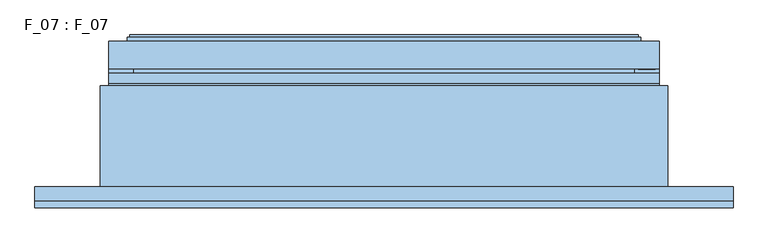
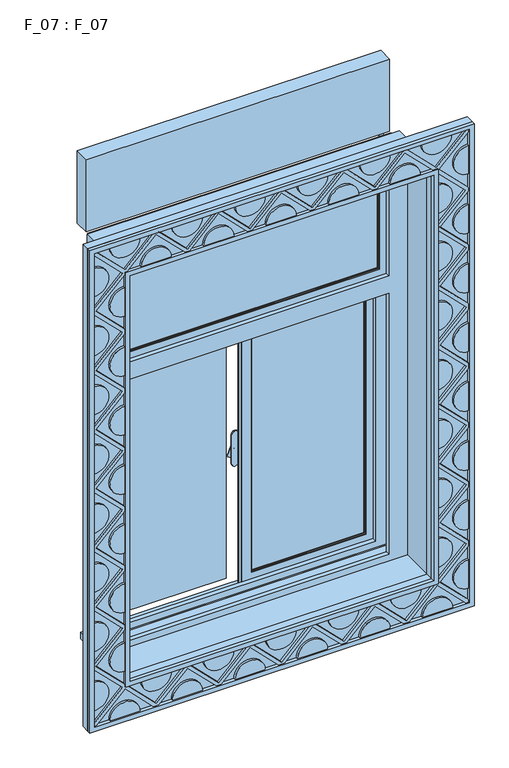
"""IFC4 building model written with IfcOpenShell, lengths in millimetres: window geometry, F_07 : F_07."""

from ifc_helpers import new_model, si_unit, point, frame, frame_2d, origin, place, context, project, spatial, polyline, circle_curve, ellipse_curve, trimmed, segment, composite_curve, outline, extrude, faceted_brep, source, transform, mapped, element, save
from ifc_brep_helpers import plane_surface, revolved_surface, advanced_brep


def f_07_f_07_ea8ef7c9(model_context):
    return source(origin(), model_context, "Body", "SolidModel", [
        extrude(outline(polyline([(2710.0, -675.0), (820.0, -675.0), (820.0, 675.0), (2710.0, 675.0), (2710.0, -675.0)]), holes=[polyline([(2690.0, -655.0), (2690.0, 655.0), (840.0, 655.0), (840.0, -655.0), (2690.0, -655.0)])]), frame((0.0, -270.0, 0.0), z_axis=(0.0, 1.0, 0.0), x_axis=(0.0, 0.0, 1.0)), (0.0, 0.0, 1.0), 15.0),
        extrude(outline(polyline([(665.0, -830.0), (665.0, 830.0), (2865.0, 830.0), (2865.0, -830.0), (665.0, -830.0)]), holes=[polyline([(2845.0, -810.0), (2845.0, 810.0), (685.0, 810.0), (685.0, -810.0), (2845.0, -810.0)])]), frame((0.0, -270.0, 0.0), z_axis=(0.0, 1.0, 0.0), x_axis=(0.0, 0.0, 1.0)), (0.0, 0.0, 1.0), 15.0),
        extrude(outline(polyline([(820.0, 685.6066017), (944.3933983, 810.0), (965.6066017, 810.0), (1090.0, 685.6066017), (1214.3933983, 810.0), (1235.6066017, 810.0), (1360.0, 685.6066017), (1484.3933983, 810.0), (1505.6066017, 810.0), (1630.0, 685.6066017), (1754.3933983, 810.0), (1775.6066017, 810.0), (1900.0, 685.6066017), (2024.3933983, 810.0), (2045.6066017, 810.0), (2170.0, 685.6066017), (2294.3933983, 810.0), (2315.6066017, 810.0), (2440.0, 685.6066017), (2564.3933983, 810.0), (2575.0, 810.0), (2704.6966991, 680.3033009), (2834.3933983, 810.0), (2845.0, 810.0), (2845.0, 799.3933983), (2715.3033009, 669.6966991), (2845.0, 540.0), (2845.0, 529.3933983), (2720.6066017, 405.0), (2845.0, 280.6066017), (2845.0, 259.3933983), (2720.6066017, 135.0), (2845.0, 10.6066017), (2845.0, -10.6066017), (2720.6066017, -135.0), (2845.0, -259.3933983), (2845.0, -280.6066017), (2720.6066017, -405.0), (2845.0, -529.3933983), (2845.0, -550.6066017), (2720.6066017, -675.0), (2845.0, -799.3933983), (2845.0, -810.0), (2834.3933983, -810.0), (2710.0, -685.6066017), (2585.6066017, -810.0), (2564.3933983, -810.0), (2440.0, -685.6066017), (2315.6066017, -810.0), (2294.3933983, -810.0), (2170.0, -685.6066017), (2045.6066017, -810.0), (2024.3933983, -810.0), (1900.0, -685.6066017), (1775.6066017, -810.0), (1754.3933983, -810.0), (1630.0, -685.6066017), (1505.6066017, -810.0), (1484.3933983, -810.0), (1360.0, -685.6066017), (1235.6066017, -810.0), (1214.3933983, -810.0), (1090.0, -685.6066017), (965.6066017, -810.0), (944.3933983, -810.0), (820.0, -685.6066017), (695.6066017, -810.0), (685.0, -810.0), (685.0, -799.3933983), (809.3933983, -675.0), (685.0, -550.6066017), (685.0, -529.3933983), (809.3933983, -405.0), (685.0, -280.6066017), (685.0, -259.3933983), (809.3933983, -135.0), (685.0, -10.6066017), (685.0, 10.6066017), (809.3933983, 135.0), (685.0, 259.3933983), (685.0, 280.6066017), (809.3933983, 405.0), (685.0, 529.3933983), (685.0, 550.6066017), (809.3933983, 675.0), (685.0, 799.3933983), (685.0, 810.0), (695.6066017, 810.0), (820.0, 685.6066017)]), holes=[polyline([(820.0, 664.3933983), (695.6066017, 540.0), (820.0, 415.6066017), (820.0, 394.3933983), (695.6066017, 270.0), (820.0, 145.6066017), (820.0, 124.3933983), (695.6066017, 0.0), (820.0, -124.3933983), (820.0, -145.6066017), (695.6066017, -270.0), (820.0, -394.3933983), (820.0, -415.6066017), (695.6066017, -540.0), (820.0, -664.3933983), (820.0, -675.0), (830.6066017, -675.0), (955.0, -799.3933983), (1079.3933983, -675.0), (1100.6066017, -675.0), (1225.0, -799.3933983), (1349.3933983, -675.0), (1370.6066017, -675.0), (1495.0, -799.3933983), (1619.3933983, -675.0), (1640.6066017, -675.0), (1765.0, -799.3933983), (1889.3933983, -675.0), (1910.6066017, -675.0), (2035.0, -799.3933983), (2159.3933983, -675.0), (2180.6066017, -675.0), (2305.0, -799.3933983), (2429.3933983, -675.0), (2450.6066017, -675.0), (2575.0, -799.3933983), (2699.3933983, -675.0), (2710.0, -675.0), (2710.0, -664.3933983), (2834.3933983, -540.0), (2710.0, -415.6066017), (2710.0, -394.3933983), (2834.3933983, -270.0), (2710.0, -145.6066017), (2710.0, -124.3933983), (2834.3933983, 0.0), (2710.0, 124.3933983), (2710.0, 145.6066017), (2834.3933983, 270.0), (2710.0, 394.3933983), (2710.0, 415.6066017), (2829.0900974, 534.6966991), (2710.0, 653.7867966), (2710.0, 675.0), (2688.7867966, 675.0), (2569.6966991, 794.0900974), (2450.6066017, 675.0), (2429.3933983, 675.0), (2305.0, 799.3933983), (2180.6066017, 675.0), (2159.3933983, 675.0), (2035.0, 799.3933983), (1910.6066017, 675.0), (1889.3933983, 675.0), (1765.0, 799.3933983), (1640.6066017, 675.0), (1619.3933983, 675.0), (1495.0, 799.3933983), (1370.6066017, 675.0), (1349.3933983, 675.0), (1225.0, 799.3933983), (1100.6066017, 675.0), (1079.3933983, 675.0), (955.0, 799.3933983), (830.6066017, 675.0), (820.0, 675.0), (820.0, 664.3933983)])]), frame((0.0, -265.0, 0.0), z_axis=(0.0, 1.0, 0.0), x_axis=(0.0, 0.0, 1.0)), (0.0, 0.0, 1.0), 10.0),
        extrude(outline(composite_curve([segment(polyline([(2845.0, 470.0), (2845.0, 340.0)]), True, "CONTINUOUS"), segment(trimmed(circle_curve(frame_2d((2845.0, 405.0)), 65.0), [point((2845.0, 340.0))], [point((2845.0, 470.0))], False, "CARTESIAN"), True, "CONTINUOUS")], self_intersect=False)), frame((0.0, -265.0, 0.0), z_axis=(0.0, 1.0, 0.0), x_axis=(0.0, 0.0, 1.0)), (0.0, 0.0, 1.0), 10.0),
        extrude(outline(composite_curve([segment(polyline([(2845.0, 200.0), (2845.0, 70.0)]), True, "CONTINUOUS"), segment(trimmed(circle_curve(frame_2d((2845.0, 135.0)), 65.0), [point((2845.0, 70.0))], [point((2845.0, 200.0))], False, "CARTESIAN"), True, "CONTINUOUS")], self_intersect=False)), frame((0.0, -265.0, 0.0), z_axis=(0.0, 1.0, 0.0), x_axis=(0.0, 0.0, 1.0)), (0.0, 0.0, 1.0), 10.0),
        extrude(outline(composite_curve([segment(polyline([(2845.0, -70.0), (2845.0, -200.0)]), True, "CONTINUOUS"), segment(trimmed(circle_curve(frame_2d((2845.0, -135.0)), 65.0), [point((2845.0, -200.0))], [point((2845.0, -70.0))], False, "CARTESIAN"), True, "CONTINUOUS")], self_intersect=False)), frame((0.0, -265.0, 0.0), z_axis=(0.0, 1.0, 0.0), x_axis=(0.0, 0.0, 1.0)), (0.0, 0.0, 1.0), 10.0),
        extrude(outline(composite_curve([segment(polyline([(2845.0, -340.0), (2845.0, -470.0)]), True, "CONTINUOUS"), segment(trimmed(circle_curve(frame_2d((2845.0, -405.0)), 65.0), [point((2845.0, -470.0))], [point((2845.0, -340.0))], False, "CARTESIAN"), True, "CONTINUOUS")], self_intersect=False)), frame((0.0, -265.0, 0.0), z_axis=(0.0, 1.0, 0.0), x_axis=(0.0, 0.0, 1.0)), (0.0, 0.0, 1.0), 10.0),
        extrude(outline(composite_curve([segment(polyline([(2845.0, -610.0), (2845.0, -740.0)]), True, "CONTINUOUS"), segment(trimmed(circle_curve(frame_2d((2845.0, -675.0)), 65.0), [point((2845.0, -740.0))], [point((2845.0, -610.0))], False, "CARTESIAN"), True, "CONTINUOUS")], self_intersect=False)), frame((0.0, -265.0, 0.0), z_axis=(0.0, 1.0, 0.0), x_axis=(0.0, 0.0, 1.0)), (0.0, 0.0, 1.0), 10.0),
        extrude(outline(composite_curve([segment(polyline([(2845.0, 735.0), (2845.0, 605.0)]), True, "CONTINUOUS"), segment(trimmed(circle_curve(frame_2d((2845.0, 670.0)), 65.0), [point((2845.0, 605.0))], [point((2845.0, 735.0))], False, "CARTESIAN"), True, "CONTINUOUS")], self_intersect=False)), frame((0.0, -265.0, 0.0), z_axis=(0.0, 1.0, 0.0), x_axis=(0.0, 0.0, 1.0)), (0.0, 0.0, 1.0), 10.0),
        extrude(outline(composite_curve([segment(trimmed(circle_curve(frame_2d((2710.0, 270.0)), 65.0), [point((2710.0, 335.0))], [point((2710.0, 205.0))], False, "CARTESIAN"), True, "CONTINUOUS"), segment(polyline([(2710.0, 205.0), (2710.0, 335.0)]), True, "CONTINUOUS")], self_intersect=False)), frame((0.0, -265.0, 0.0), z_axis=(0.0, 1.0, 0.0), x_axis=(0.0, 0.0, 1.0)), (0.0, 0.0, 1.0), 10.0),
        extrude(outline(composite_curve([segment(trimmed(circle_curve(frame_2d((2710.0, 534.6966991)), 65.0), [point((2710.0, 599.6966991))], [point((2710.0, 469.6966991))], False, "CARTESIAN"), True, "CONTINUOUS"), segment(polyline([(2710.0, 469.6966991), (2710.0, 599.6966991)]), True, "CONTINUOUS")], self_intersect=False)), frame((0.0, -265.0, 0.0), z_axis=(0.0, 1.0, 0.0), x_axis=(0.0, 0.0, 1.0)), (0.0, 0.0, 1.0), 10.0),
        extrude(outline(composite_curve([segment(trimmed(circle_curve(frame_2d((2710.0, 0.0)), 65.0), [point((2710.0, 65.0))], [point((2710.0, -65.0))], False, "CARTESIAN"), True, "CONTINUOUS"), segment(polyline([(2710.0, -65.0), (2710.0, 65.0)]), True, "CONTINUOUS")], self_intersect=False)), frame((0.0, -265.0, 0.0), z_axis=(0.0, 1.0, 0.0), x_axis=(0.0, 0.0, 1.0)), (0.0, 0.0, 1.0), 10.0),
        extrude(outline(composite_curve([segment(trimmed(circle_curve(frame_2d((2710.0, -270.0)), 65.0), [point((2710.0, -205.0))], [point((2710.0, -335.0))], False, "CARTESIAN"), True, "CONTINUOUS"), segment(polyline([(2710.0, -335.0), (2710.0, -205.0)]), True, "CONTINUOUS")], self_intersect=False)), frame((0.0, -265.0, 0.0), z_axis=(0.0, 1.0, 0.0), x_axis=(0.0, 0.0, 1.0)), (0.0, 0.0, 1.0), 10.0),
        extrude(outline(composite_curve([segment(trimmed(circle_curve(frame_2d((2710.0, -540.0)), 65.0), [point((2710.0, -475.0))], [point((2710.0, -605.0))], False, "CARTESIAN"), True, "CONTINUOUS"), segment(polyline([(2710.0, -605.0), (2710.0, -475.0)]), True, "CONTINUOUS")], self_intersect=False)), frame((0.0, -265.0, 0.0), z_axis=(0.0, 1.0, 0.0), x_axis=(0.0, 0.0, 1.0)), (0.0, 0.0, 1.0), 10.0),
        extrude(outline(composite_curve([segment(polyline([(820.0, 605.0), (820.0, 475.0)]), True, "CONTINUOUS"), segment(trimmed(circle_curve(frame_2d((820.0, 540.0)), 65.0), [point((820.0, 475.0))], [point((820.0, 605.0))], False, "CARTESIAN"), True, "CONTINUOUS")], self_intersect=False)), frame((0.0, -265.0, 0.0), z_axis=(0.0, 1.0, 0.0), x_axis=(0.0, 0.0, 1.0)), (0.0, 0.0, 1.0), 10.0),
        extrude(outline(composite_curve([segment(polyline([(820.0, 335.0), (820.0, 205.0)]), True, "CONTINUOUS"), segment(trimmed(circle_curve(frame_2d((820.0, 270.0)), 65.0), [point((820.0, 205.0))], [point((820.0, 335.0))], False, "CARTESIAN"), True, "CONTINUOUS")], self_intersect=False)), frame((0.0, -265.0, 0.0), z_axis=(0.0, 1.0, 0.0), x_axis=(0.0, 0.0, 1.0)), (0.0, 0.0, 1.0), 10.0),
        extrude(outline(composite_curve([segment(polyline([(820.0, 65.0), (820.0, -65.0)]), True, "CONTINUOUS"), segment(trimmed(circle_curve(frame_2d((820.0, 0.0)), 65.0), [point((820.0, -65.0))], [point((820.0, 65.0))], False, "CARTESIAN"), True, "CONTINUOUS")], self_intersect=False)), frame((0.0, -265.0, 0.0), z_axis=(0.0, 1.0, 0.0), x_axis=(0.0, 0.0, 1.0)), (0.0, 0.0, 1.0), 10.0),
        extrude(outline(composite_curve([segment(polyline([(820.0, -205.0), (820.0, -335.0)]), True, "CONTINUOUS"), segment(trimmed(circle_curve(frame_2d((820.0, -270.0)), 65.0), [point((820.0, -335.0))], [point((820.0, -205.0))], False, "CARTESIAN"), True, "CONTINUOUS")], self_intersect=False)), frame((0.0, -265.0, 0.0), z_axis=(0.0, 1.0, 0.0), x_axis=(0.0, 0.0, 1.0)), (0.0, 0.0, 1.0), 10.0),
        extrude(outline(composite_curve([segment(polyline([(820.0, -475.0), (820.0, -605.0)]), True, "CONTINUOUS"), segment(trimmed(circle_curve(frame_2d((820.0, -540.0)), 65.0), [point((820.0, -605.0))], [point((820.0, -475.0))], False, "CARTESIAN"), True, "CONTINUOUS")], self_intersect=False)), frame((0.0, -265.0, 0.0), z_axis=(0.0, 1.0, 0.0), x_axis=(0.0, 0.0, 1.0)), (0.0, 0.0, 1.0), 10.0),
        extrude(outline(composite_curve([segment(trimmed(circle_curve(frame_2d((685.0, 405.0)), 65.0), [point((685.0, 470.0))], [point((685.0, 340.0))], False, "CARTESIAN"), True, "CONTINUOUS"), segment(polyline([(685.0, 340.0), (685.0, 470.0)]), True, "CONTINUOUS")], self_intersect=False)), frame((0.0, -265.0, 0.0), z_axis=(0.0, 1.0, 0.0), x_axis=(0.0, 0.0, 1.0)), (0.0, 0.0, 1.0), 10.0),
        extrude(outline(composite_curve([segment(trimmed(circle_curve(frame_2d((685.0, 135.0)), 65.0), [point((685.0, 200.0))], [point((685.0, 70.0))], False, "CARTESIAN"), True, "CONTINUOUS"), segment(polyline([(685.0, 70.0), (685.0, 200.0)]), True, "CONTINUOUS")], self_intersect=False)), frame((0.0, -265.0, 0.0), z_axis=(0.0, 1.0, 0.0), x_axis=(0.0, 0.0, 1.0)), (0.0, 0.0, 1.0), 10.0),
        extrude(outline(composite_curve([segment(trimmed(circle_curve(frame_2d((685.0, 675.0)), 65.0), [point((685.0, 740.0))], [point((685.0, 610.0))], False, "CARTESIAN"), True, "CONTINUOUS"), segment(polyline([(685.0, 610.0), (685.0, 740.0)]), True, "CONTINUOUS")], self_intersect=False)), frame((0.0, -265.0, 0.0), z_axis=(0.0, 1.0, 0.0), x_axis=(0.0, 0.0, 1.0)), (0.0, 0.0, 1.0), 10.0),
        extrude(outline(composite_curve([segment(trimmed(circle_curve(frame_2d((685.0, -135.0)), 65.0), [point((685.0, -70.0))], [point((685.0, -200.0))], False, "CARTESIAN"), True, "CONTINUOUS"), segment(polyline([(685.0, -200.0), (685.0, -70.0)]), True, "CONTINUOUS")], self_intersect=False)), frame((0.0, -265.0, 0.0), z_axis=(0.0, 1.0, 0.0), x_axis=(0.0, 0.0, 1.0)), (0.0, 0.0, 1.0), 10.0),
        extrude(outline(composite_curve([segment(trimmed(circle_curve(frame_2d((685.0, -405.0)), 65.0), [point((685.0, -340.0))], [point((685.0, -470.0))], False, "CARTESIAN"), True, "CONTINUOUS"), segment(polyline([(685.0, -470.0), (685.0, -340.0)]), True, "CONTINUOUS")], self_intersect=False)), frame((0.0, -265.0, 0.0), z_axis=(0.0, 1.0, 0.0), x_axis=(0.0, 0.0, 1.0)), (0.0, 0.0, 1.0), 10.0),
        extrude(outline(composite_curve([segment(trimmed(circle_curve(frame_2d((685.0, -675.0)), 65.0), [point((685.0, -610.0))], [point((685.0, -740.0))], False, "CARTESIAN"), True, "CONTINUOUS"), segment(polyline([(685.0, -740.0), (685.0, -610.0)]), True, "CONTINUOUS")], self_intersect=False)), frame((0.0, -265.0, 0.0), z_axis=(0.0, 1.0, 0.0), x_axis=(0.0, 0.0, 1.0)), (0.0, 0.0, 1.0), 10.0),
        extrude(outline(composite_curve([segment(trimmed(circle_curve(frame_2d((1090.0, -810.0)), 65.0), [point((1025.0, -810.0))], [point((1155.0, -810.0))], False, "CARTESIAN"), True, "CONTINUOUS"), segment(polyline([(1155.0, -810.0), (1025.0, -810.0)]), True, "CONTINUOUS")], self_intersect=False)), frame((0.0, -265.0, 0.0), z_axis=(0.0, 1.0, 0.0), x_axis=(0.0, 0.0, 1.0)), (0.0, 0.0, 1.0), 10.0),
        extrude(outline(composite_curve([segment(trimmed(circle_curve(frame_2d((955.0, -675.0)), 65.0), [point((1020.0, -675.0))], [point((890.0, -675.0))], False, "CARTESIAN"), True, "CONTINUOUS"), segment(polyline([(890.0, -675.0), (1020.0, -675.0)]), True, "CONTINUOUS")], self_intersect=False)), frame((0.0, -265.0, 0.0), z_axis=(0.0, 1.0, 0.0), x_axis=(0.0, 0.0, 1.0)), (0.0, 0.0, 1.0), 10.0),
        extrude(outline(composite_curve([segment(trimmed(circle_curve(frame_2d((820.0, -810.0)), 65.0), [point((755.0, -810.0))], [point((885.0, -810.0))], False, "CARTESIAN"), True, "CONTINUOUS"), segment(polyline([(885.0, -810.0), (755.0, -810.0)]), True, "CONTINUOUS")], self_intersect=False)), frame((0.0, -265.0, 0.0), z_axis=(0.0, 1.0, 0.0), x_axis=(0.0, 0.0, 1.0)), (0.0, 0.0, 1.0), 10.0),
        extrude(outline(composite_curve([segment(trimmed(circle_curve(frame_2d((1360.0, -810.0)), 65.0), [point((1295.0, -810.0))], [point((1425.0, -810.0))], False, "CARTESIAN"), True, "CONTINUOUS"), segment(polyline([(1425.0, -810.0), (1295.0, -810.0)]), True, "CONTINUOUS")], self_intersect=False)), frame((0.0, -265.0, 0.0), z_axis=(0.0, 1.0, 0.0), x_axis=(0.0, 0.0, 1.0)), (0.0, 0.0, 1.0), 10.0),
        extrude(outline(composite_curve([segment(trimmed(circle_curve(frame_2d((1630.0, -810.0)), 65.0), [point((1565.0, -810.0))], [point((1695.0, -810.0))], False, "CARTESIAN"), True, "CONTINUOUS"), segment(polyline([(1695.0, -810.0), (1565.0, -810.0)]), True, "CONTINUOUS")], self_intersect=False)), frame((0.0, -265.0, 0.0), z_axis=(0.0, 1.0, 0.0), x_axis=(0.0, 0.0, 1.0)), (0.0, 0.0, 1.0), 10.0),
        extrude(outline(composite_curve([segment(trimmed(circle_curve(frame_2d((1900.0, -810.0)), 65.0), [point((1835.0, -810.0))], [point((1965.0, -810.0))], False, "CARTESIAN"), True, "CONTINUOUS"), segment(polyline([(1965.0, -810.0), (1835.0, -810.0)]), True, "CONTINUOUS")], self_intersect=False)), frame((0.0, -265.0, 0.0), z_axis=(0.0, 1.0, 0.0), x_axis=(0.0, 0.0, 1.0)), (0.0, 0.0, 1.0), 10.0),
        extrude(outline(composite_curve([segment(trimmed(circle_curve(frame_2d((2170.0, -810.0)), 65.0), [point((2105.0, -810.0))], [point((2235.0, -810.0))], False, "CARTESIAN"), True, "CONTINUOUS"), segment(polyline([(2235.0, -810.0), (2105.0, -810.0)]), True, "CONTINUOUS")], self_intersect=False)), frame((0.0, -265.0, 0.0), z_axis=(0.0, 1.0, 0.0), x_axis=(0.0, 0.0, 1.0)), (0.0, 0.0, 1.0), 10.0),
        extrude(outline(composite_curve([segment(trimmed(circle_curve(frame_2d((2440.0, -810.0)), 65.0), [point((2375.0, -810.0))], [point((2505.0, -810.0))], False, "CARTESIAN"), True, "CONTINUOUS"), segment(polyline([(2505.0, -810.0), (2375.0, -810.0)]), True, "CONTINUOUS")], self_intersect=False)), frame((0.0, -265.0, 0.0), z_axis=(0.0, 1.0, 0.0), x_axis=(0.0, 0.0, 1.0)), (0.0, 0.0, 1.0), 10.0),
        extrude(outline(composite_curve([segment(trimmed(circle_curve(frame_2d((2710.0, -810.0)), 65.0), [point((2645.0, -810.0))], [point((2775.0, -810.0))], False, "CARTESIAN"), True, "CONTINUOUS"), segment(polyline([(2775.0, -810.0), (2645.0, -810.0)]), True, "CONTINUOUS")], self_intersect=False)), frame((0.0, -265.0, 0.0), z_axis=(0.0, 1.0, 0.0), x_axis=(0.0, 0.0, 1.0)), (0.0, 0.0, 1.0), 10.0),
        extrude(outline(composite_curve([segment(trimmed(circle_curve(frame_2d((2569.6966991, 675.0)), 65.0), [point((2504.6966991, 675.0))], [point((2634.6966991, 675.0))], False, "CARTESIAN"), True, "CONTINUOUS"), segment(polyline([(2634.6966991, 675.0), (2504.6966991, 675.0)]), True, "CONTINUOUS")], self_intersect=False)), frame((0.0, -265.0, 0.0), z_axis=(0.0, 1.0, 0.0), x_axis=(0.0, 0.0, 1.0)), (0.0, 0.0, 1.0), 10.0),
        extrude(outline(composite_curve([segment(trimmed(circle_curve(frame_2d((2305.0, 675.0)), 65.0), [point((2240.0, 675.0))], [point((2370.0, 675.0))], False, "CARTESIAN"), True, "CONTINUOUS"), segment(polyline([(2370.0, 675.0), (2240.0, 675.0)]), True, "CONTINUOUS")], self_intersect=False)), frame((0.0, -265.0, 0.0), z_axis=(0.0, 1.0, 0.0), x_axis=(0.0, 0.0, 1.0)), (0.0, 0.0, 1.0), 10.0),
        extrude(outline(composite_curve([segment(trimmed(circle_curve(frame_2d((2035.0, 675.0)), 65.0), [point((1970.0, 675.0))], [point((2100.0, 675.0))], False, "CARTESIAN"), True, "CONTINUOUS"), segment(polyline([(2100.0, 675.0), (1970.0, 675.0)]), True, "CONTINUOUS")], self_intersect=False)), frame((0.0, -265.0, 0.0), z_axis=(0.0, 1.0, 0.0), x_axis=(0.0, 0.0, 1.0)), (0.0, 0.0, 1.0), 10.0),
        extrude(outline(composite_curve([segment(trimmed(circle_curve(frame_2d((1765.0, 675.0)), 65.0), [point((1700.0, 675.0))], [point((1830.0, 675.0))], False, "CARTESIAN"), True, "CONTINUOUS"), segment(polyline([(1830.0, 675.0), (1700.0, 675.0)]), True, "CONTINUOUS")], self_intersect=False)), frame((0.0, -265.0, 0.0), z_axis=(0.0, 1.0, 0.0), x_axis=(0.0, 0.0, 1.0)), (0.0, 0.0, 1.0), 10.0),
        extrude(outline(composite_curve([segment(trimmed(circle_curve(frame_2d((1225.0, 675.0)), 65.0), [point((1160.0, 675.0))], [point((1290.0, 675.0))], False, "CARTESIAN"), True, "CONTINUOUS"), segment(polyline([(1290.0, 675.0), (1160.0, 675.0)]), True, "CONTINUOUS")], self_intersect=False)), frame((0.0, -265.0, 0.0), z_axis=(0.0, 1.0, 0.0), x_axis=(0.0, 0.0, 1.0)), (0.0, 0.0, 1.0), 10.0),
        extrude(outline(composite_curve([segment(trimmed(circle_curve(frame_2d((955.0, 675.0)), 65.0), [point((890.0, 675.0))], [point((1020.0, 675.0))], False, "CARTESIAN"), True, "CONTINUOUS"), segment(polyline([(1020.0, 675.0), (890.0, 675.0)]), True, "CONTINUOUS")], self_intersect=False)), frame((0.0, -265.0, 0.0), z_axis=(0.0, 1.0, 0.0), x_axis=(0.0, 0.0, 1.0)), (0.0, 0.0, 1.0), 10.0),
        extrude(outline(composite_curve([segment(trimmed(circle_curve(frame_2d((1495.0, 675.0)), 65.0), [point((1430.0, 675.0))], [point((1560.0, 675.0))], False, "CARTESIAN"), True, "CONTINUOUS"), segment(polyline([(1560.0, 675.0), (1430.0, 675.0)]), True, "CONTINUOUS")], self_intersect=False)), frame((0.0, -265.0, 0.0), z_axis=(0.0, 1.0, 0.0), x_axis=(0.0, 0.0, 1.0)), (0.0, 0.0, 1.0), 10.0),
        extrude(outline(composite_curve([segment(trimmed(circle_curve(frame_2d((1225.0, -675.0)), 65.0), [point((1290.0, -675.0))], [point((1160.0, -675.0))], False, "CARTESIAN"), True, "CONTINUOUS"), segment(polyline([(1160.0, -675.0), (1290.0, -675.0)]), True, "CONTINUOUS")], self_intersect=False)), frame((0.0, -265.0, 0.0), z_axis=(0.0, 1.0, 0.0), x_axis=(0.0, 0.0, 1.0)), (0.0, 0.0, 1.0), 10.0),
        extrude(outline(composite_curve([segment(trimmed(circle_curve(frame_2d((1495.0, -675.0)), 65.0), [point((1560.0, -675.0))], [point((1430.0, -675.0))], False, "CARTESIAN"), True, "CONTINUOUS"), segment(polyline([(1430.0, -675.0), (1560.0, -675.0)]), True, "CONTINUOUS")], self_intersect=False)), frame((0.0, -265.0, 0.0), z_axis=(0.0, 1.0, 0.0), x_axis=(0.0, 0.0, 1.0)), (0.0, 0.0, 1.0), 10.0),
        extrude(outline(composite_curve([segment(trimmed(circle_curve(frame_2d((1765.0, -675.0)), 65.0), [point((1830.0, -675.0))], [point((1700.0, -675.0))], False, "CARTESIAN"), True, "CONTINUOUS"), segment(polyline([(1700.0, -675.0), (1830.0, -675.0)]), True, "CONTINUOUS")], self_intersect=False)), frame((0.0, -265.0, 0.0), z_axis=(0.0, 1.0, 0.0), x_axis=(0.0, 0.0, 1.0)), (0.0, 0.0, 1.0), 10.0),
        extrude(outline(composite_curve([segment(trimmed(circle_curve(frame_2d((2035.0, -675.0)), 65.0), [point((2100.0, -675.0))], [point((1970.0, -675.0))], False, "CARTESIAN"), True, "CONTINUOUS"), segment(polyline([(1970.0, -675.0), (2100.0, -675.0)]), True, "CONTINUOUS")], self_intersect=False)), frame((0.0, -265.0, 0.0), z_axis=(0.0, 1.0, 0.0), x_axis=(0.0, 0.0, 1.0)), (0.0, 0.0, 1.0), 10.0),
        extrude(outline(composite_curve([segment(trimmed(circle_curve(frame_2d((2305.0, -675.0)), 65.0), [point((2370.0, -675.0))], [point((2240.0, -675.0))], False, "CARTESIAN"), True, "CONTINUOUS"), segment(polyline([(2240.0, -675.0), (2370.0, -675.0)]), True, "CONTINUOUS")], self_intersect=False)), frame((0.0, -265.0, 0.0), z_axis=(0.0, 1.0, 0.0), x_axis=(0.0, 0.0, 1.0)), (0.0, 0.0, 1.0), 10.0),
        extrude(outline(composite_curve([segment(trimmed(circle_curve(frame_2d((2575.0, -675.0)), 65.0), [point((2640.0, -675.0))], [point((2510.0, -675.0))], False, "CARTESIAN"), True, "CONTINUOUS"), segment(polyline([(2510.0, -675.0), (2640.0, -675.0)]), True, "CONTINUOUS")], self_intersect=False)), frame((0.0, -265.0, 0.0), z_axis=(0.0, 1.0, 0.0), x_axis=(0.0, 0.0, 1.0)), (0.0, 0.0, 1.0), 10.0),
        extrude(outline(composite_curve([segment(trimmed(circle_curve(frame_2d((2704.6966991, 810.0)), 65.0), [point((2769.6966991, 810.0))], [point((2639.6966991, 810.0))], False, "CARTESIAN"), True, "CONTINUOUS"), segment(polyline([(2639.6966991, 810.0), (2769.6966991, 810.0)]), True, "CONTINUOUS")], self_intersect=False)), frame((0.0, -265.0, 0.0), z_axis=(0.0, 1.0, 0.0), x_axis=(0.0, 0.0, 1.0)), (0.0, 0.0, 1.0), 10.0),
        extrude(outline(composite_curve([segment(trimmed(circle_curve(frame_2d((2434.6966991, 810.0)), 65.0), [point((2499.6966991, 810.0))], [point((2369.6966991, 810.0))], False, "CARTESIAN"), True, "CONTINUOUS"), segment(polyline([(2369.6966991, 810.0), (2499.6966991, 810.0)]), True, "CONTINUOUS")], self_intersect=False)), frame((0.0, -265.0, 0.0), z_axis=(0.0, 1.0, 0.0), x_axis=(0.0, 0.0, 1.0)), (0.0, 0.0, 1.0), 10.0),
        extrude(outline(composite_curve([segment(trimmed(circle_curve(frame_2d((2164.6966991, 810.0)), 65.0), [point((2229.6966991, 810.0))], [point((2099.6966991, 810.0))], False, "CARTESIAN"), True, "CONTINUOUS"), segment(polyline([(2099.6966991, 810.0), (2229.6966991, 810.0)]), True, "CONTINUOUS")], self_intersect=False)), frame((0.0, -265.0, 0.0), z_axis=(0.0, 1.0, 0.0), x_axis=(0.0, 0.0, 1.0)), (0.0, 0.0, 1.0), 10.0),
        extrude(outline(composite_curve([segment(trimmed(circle_curve(frame_2d((1894.6966991, 810.0)), 65.0), [point((1959.6966991, 810.0))], [point((1829.6966991, 810.0))], False, "CARTESIAN"), True, "CONTINUOUS"), segment(polyline([(1829.6966991, 810.0), (1959.6966991, 810.0)]), True, "CONTINUOUS")], self_intersect=False)), frame((0.0, -265.0, 0.0), z_axis=(0.0, 1.0, 0.0), x_axis=(0.0, 0.0, 1.0)), (0.0, 0.0, 1.0), 10.0),
        extrude(outline(composite_curve([segment(trimmed(circle_curve(frame_2d((1624.6966991, 810.0)), 65.0), [point((1689.6966991, 810.0))], [point((1559.6966991, 810.0))], False, "CARTESIAN"), True, "CONTINUOUS"), segment(polyline([(1559.6966991, 810.0), (1689.6966991, 810.0)]), True, "CONTINUOUS")], self_intersect=False)), frame((0.0, -265.0, 0.0), z_axis=(0.0, 1.0, 0.0), x_axis=(0.0, 0.0, 1.0)), (0.0, 0.0, 1.0), 10.0),
        extrude(outline(composite_curve([segment(trimmed(circle_curve(frame_2d((1354.6966991, 810.0)), 65.0), [point((1419.6966991, 810.0))], [point((1289.6966991, 810.0))], False, "CARTESIAN"), True, "CONTINUOUS"), segment(polyline([(1289.6966991, 810.0), (1419.6966991, 810.0)]), True, "CONTINUOUS")], self_intersect=False)), frame((0.0, -265.0, 0.0), z_axis=(0.0, 1.0, 0.0), x_axis=(0.0, 0.0, 1.0)), (0.0, 0.0, 1.0), 10.0),
        extrude(outline(composite_curve([segment(trimmed(circle_curve(frame_2d((1084.6966991, 810.0)), 65.0), [point((1149.6966991, 810.0))], [point((1019.6966991, 810.0))], False, "CARTESIAN"), True, "CONTINUOUS"), segment(polyline([(1019.6966991, 810.0), (1149.6966991, 810.0)]), True, "CONTINUOUS")], self_intersect=False)), frame((0.0, -265.0, 0.0), z_axis=(0.0, 1.0, 0.0), x_axis=(0.0, 0.0, 1.0)), (0.0, 0.0, 1.0), 10.0),
        extrude(outline(composite_curve([segment(trimmed(circle_curve(frame_2d((814.6966991, 810.0)), 65.0), [point((879.6966991, 810.0))], [point((749.6966991, 810.0))], False, "CARTESIAN"), True, "CONTINUOUS"), segment(polyline([(749.6966991, 810.0), (879.6966991, 810.0)]), True, "CONTINUOUS")], self_intersect=False)), frame((0.0, -265.0, 0.0), z_axis=(0.0, 1.0, 0.0), x_axis=(0.0, 0.0, 1.0)), (0.0, 0.0, 1.0), 10.0),
        extrude(outline(polyline([(665.0, -830.0), (665.0, 830.0), (2865.0, 830.0), (2865.0, -830.0), (665.0, -830.0)]), holes=[polyline([(2690.0, -655.0), (2690.0, 655.0), (840.0, 655.0), (840.0, -655.0), (2690.0, -655.0)])]), frame((0.0, -255.0, 0.0), z_axis=(0.0, 1.0, 0.0), x_axis=(0.0, 0.0, 1.0)), (0.0, 0.0, 1.0), 35.0),
        faceted_brep([(610.0, 126.0115087, 2975.0), (610.0, 126.0115087, 2735.0), (610.0, 136.0115087, 2735.0), (610.0, 136.0115087, 2975.0), (575.0, 136.0115087, 2770.0), (575.0, 131.0115087, 2770.0), (575.0, 131.0115087, 2940.0), (575.0, 136.0115087, 2940.0), (580.0, 141.0115087, 2945.0), (580.0, 141.0115087, 2765.0), (580.0, 136.0115087, 2765.0), (580.0, 136.0115087, 2945.0), (605.0, 136.0115087, 2970.0), (605.0, 136.0115087, 2740.0), (605.0, 141.0115087, 2740.0), (605.0, 141.0115087, 2970.0), (-610.0, 126.0115087, 2735.0), (-610.0, 136.0115087, 2735.0), (-575.0, 136.0115087, 2770.0), (-575.0, 131.0115087, 2770.0), (-580.0, 141.0115087, 2765.0), (-580.0, 136.0115087, 2765.0), (-605.0, 136.0115087, 2740.0), (-605.0, 141.0115087, 2740.0), (-610.0, 126.0115087, 2975.0), (-610.0, 136.0115087, 2975.0), (-575.0, 136.0115087, 2940.0), (-575.0, 131.0115087, 2940.0), (-580.0, 141.0115087, 2945.0), (-580.0, 136.0115087, 2945.0), (-605.0, 136.0115087, 2970.0), (-605.0, 141.0115087, 2970.0)], [[[0, 1, 2, 3]], [[4, 5, 6, 7]], [[8, 9, 10, 11]], [[12, 13, 14, 15]], [[1, 16, 17, 2]], [[18, 19, 5, 4]], [[9, 20, 21, 10]], [[13, 22, 23, 14]], [[16, 24, 25, 17]], [[26, 27, 19, 18]], [[20, 28, 29, 21]], [[22, 30, 31, 23]], [[3, 25, 24, 0]], [[7, 6, 27, 26]], [[10, 21, 29, 11], [7, 26, 18, 4]], [[11, 29, 28, 8]], [[14, 23, 31, 15], [8, 28, 20, 9]], [[15, 31, 30, 12]], [[2, 17, 25, 3], [12, 30, 22, 13]], [[5, 19, 27, 6]], [[0, 24, 16, 1]]]),
        extrude(outline(polyline([(655.0, 126.0115087), (655.0, 60.0115087), (-655.0, 60.0115087), (-655.0, 126.0115087), (655.0, 126.0115087)])), frame((0.0, 0.0, 2690.0), z_axis=(0.0, 0.0, 1.0), x_axis=(1.0, 0.0, 0.0)), (0.0, 0.0, 1.0), 330.0),
        extrude(outline(polyline([(67.2514037, 1361.1787194), (70.0115087, 1363.9388244), (70.0115087, 2690.0), (71.0115087, 2690.0), (71.0115087, 1363.5246108), (67.8266265, 1360.3397286), (60.0, 1356.876336), (60.0, 1357.969871), (67.2514037, 1361.1787194)])), frame((615.0, 0.0, 0.0), z_axis=(1.0, 0.0, 0.0), x_axis=(0.0, 1.0, 0.0)), (0.0, 0.0, 1.0), 20.0),
        extrude(outline(polyline([(612.5, 66.8371902), (637.5, 66.8371902), (637.5, 60.0), (612.5, 60.0), (612.5, 66.8371902)])), frame((0.0, 0.0, 1352.7610226), z_axis=(0.0, 0.0, 1.0), x_axis=(1.0, 0.0, 0.0)), (0.0, 0.0, 1.0), 1.0),
        extrude(outline(polyline([(66.8371902, 1362.1787194), (69.304402, 1364.6459312), (70.0115087, 1363.9388244), (67.2514037, 1361.1787194), (60.0, 1361.1787194), (60.0, 1362.1787194), (66.8371902, 1362.1787194)])), frame((612.5, 0.0, 0.0), z_axis=(1.0, 0.0, 0.0), x_axis=(0.0, 1.0, 0.0)), (0.0, 0.0, 1.0), 25.0),
        extrude(outline(polyline([(1520.0, 605.0), (1300.0, 605.0), (1300.0, 645.0), (1520.0, 645.0), (1520.0, 605.0)]), holes=[polyline([(1362.1787194, 612.5), (1362.1787194, 637.5), (1352.7610226, 637.5), (1352.7610226, 612.5), (1362.1787194, 612.5)])]), frame((0.0, 60.0, 0.0), z_axis=(0.0, 1.0, 0.0), x_axis=(0.0, 0.0, 1.0)), (0.0, 0.0, 1.0), 2.0),
        advanced_brep(
        [(-28.5497704, 90.2287724, 1428.0503471), (-14.693364, 90.2287724, 1420.0503471), (14.693364, 90.2287724, 1502.9496529), (28.5497704, 90.2287724, 1494.9496529)],
        [
            (0, 1, ellipse_curve(frame((-21.6215672, 90.2287724, 1424.0503471), z_axis=(-0.46984631039295827, -0.3420201433256777, -0.8137976813493676), x_axis=(0.8660254037844349, 0.0, -0.5000000000000066)), 8.0, 3.5)),
            (1, 0, ellipse_curve(frame((-21.6215672, 90.2287724, 1424.0503471), z_axis=(-0.46984631039295827, -0.3420201433256777, -0.8137976813493676), x_axis=(0.8660254037844349, 0.0, -0.5000000000000066)), 8.0, 3.5)),
            (2, 3, ellipse_curve(frame((21.6215672, 90.2287724, 1498.9496529), z_axis=(0.46984631039296154, -0.3420201433256599, 0.8137976813493732), x_axis=(0.8660254037844355, 0.0, -0.5000000000000056)), 8.0, 3.5)),
            (3, 2, ellipse_curve(frame((21.6215672, 90.2287724, 1498.9496529), z_axis=(0.46984631039296154, -0.3420201433256599, 0.8137976813493732), x_axis=(0.8660254037844355, 0.0, -0.5000000000000056)), 8.0, 3.5)),
            (2, 0, circle_curve(frame((-6.9282032, -28.580763, 1465.5), z_axis=(-0.8660254037844353, 0.0, 0.500000000000006), x_axis=(-0.1710100716628409, 0.9396926207859051, -0.29619813272603046)), 126.4344667)),
            (1, 3, circle_curve(frame((6.9282032, -28.580763, 1457.5), z_axis=(0.8660254037844353, 0.0, -0.500000000000006), x_axis=(-0.1710100716628409, 0.9396926207859051, -0.29619813272603046)), 126.4344667)),
        ],
        [
            plane_surface(frame((40.0926994, 87.5471681, 1389.5466142), z_axis=(-0.4698463103929582, -0.34202014332567776, -0.8137976813493677), x_axis=(-0.8660254037844352, 0.0, 0.500000000000006))),
            plane_surface(frame((82.3598097, 87.5471681, 1462.7553967), z_axis=(0.4698463103929615, -0.34202014332565983, 0.8137976813493734), x_axis=(-0.8660254037844352, 0.0, 0.500000000000006))),
            revolved_surface(trimmed(ellipse_curve(frame((-21.6215672, 90.2287724, 1424.0503471), z_axis=(0.46984631039295827, 0.3420201433256777, 0.8137976813493676), x_axis=(0.8660254037844349, 0.0, -0.5000000000000066)), 8.0, 3.5), [point((-28.5497704, 90.2287724, 1428.0503471))], [point((-14.693364, 90.2287724, 1420.0503471))], True, "CARTESIAN"), (61.2262546, -28.580763, 1426.1510055), (-0.8660254037844353, 0.0, 0.500000000000006)),
            revolved_surface(trimmed(ellipse_curve(frame((-21.6215672, 90.2287724, 1424.0503471), z_axis=(0.46984631039295827, 0.3420201433256777, 0.8137976813493676), x_axis=(0.8660254037844349, 0.0, -0.5000000000000066)), 8.0, 3.5), [point((-14.693364, 90.2287724, 1420.0503471))], [point((-28.5497704, 90.2287724, 1428.0503471))], True, "CARTESIAN"), (61.2262546, -28.580763, 1426.1510055), (-0.8660254037844353, 0.0, 0.500000000000006)),
        ],
        [
            (0, [[1, 2]]),
            (1, [[3, 4]]),
            (2, [[-3, 5, -2, 6]]),
            (3, [[-4, -6, -1, -5]]),
        ],
    ),
        extrude(outline(composite_curve([segment(trimmed(circle_curve(frame_2d((1461.5, 0.0)), 3.5), [point((1461.5, -3.5))], [point((1461.5, 3.5))], False, "CARTESIAN"), True, "CONTINUOUS"), segment(trimmed(circle_curve(frame_2d((1461.5, 0.0)), 3.5), [point((1461.5, 3.5))], [point((1461.5, -3.5))], False, "CARTESIAN"), True, "CONTINUOUS")], self_intersect=False)), frame((0.0, 85.0, 0.0), z_axis=(0.0, 1.0, 0.0), x_axis=(0.0, 0.0, 1.0)), (0.0, 0.0, 1.0), 10.0),
        extrude(outline(composite_curve([segment(polyline([(1525.8020109, -15.0), (1395.8020109, -15.0)]), True, "CONTINUOUS"), segment(trimmed(circle_curve(frame_2d((1395.8020109, 0.0)), 15.0), [point((1395.8020109, -15.0))], [point((1395.8020109, 15.0))], False, "CARTESIAN"), True, "CONTINUOUS"), segment(polyline([(1395.8020109, 15.0), (1525.8020109, 15.0)]), True, "CONTINUOUS"), segment(trimmed(circle_curve(frame_2d((1525.8020109, 0.0)), 15.0), [point((1525.8020109, 15.0))], [point((1525.8020109, -15.0))], False, "CARTESIAN"), True, "CONTINUOUS")], self_intersect=False)), frame((0.0, 80.0, 0.0), z_axis=(0.0, 1.0, 0.0), x_axis=(0.0, 0.0, 1.0)), (0.0, 0.0, 1.0), 5.0),
        faceted_brep([(-655.0, -50.0, 840.0), (655.0, -50.0, 840.0), (655.0, -74.0, 840.0), (-655.0, -74.0, 840.0), (-655.0, -50.0, 2690.0), (-655.0, -74.0, 2690.0), (655.0, -74.0, 2690.0), (-575.0, -74.0, 2620.0), (575.0, -74.0, 2620.0), (575.0, -74.0, 2140.0), (-575.0, -74.0, 2140.0), (-575.0, -74.0, 2060.0), (575.0, -74.0, 2060.0), (575.0, -74.0, 870.0), (-575.0, -74.0, 870.0), (655.0, -50.0, 2690.0), (-585.0, -50.0, 2630.0), (-585.0, -50.0, 2130.0), (585.0, -50.0, 2130.0), (585.0, -50.0, 2630.0), (585.0, -50.0, 2070.0), (-585.0, -50.0, 2070.0), (-585.0, -50.0, 860.0), (585.0, -50.0, 860.0), (-575.0, -55.0, 870.0), (-575.0, -55.0, 2060.0), (-575.0, -55.0, 2140.0), (-575.0, -55.0, 2620.0), (575.0, -55.0, 870.0), (575.0, -55.0, 2060.0), (575.0, -55.0, 2620.0), (575.0, -55.0, 2140.0), (585.0, -55.0, 860.0), (585.0, -55.0, 2070.0), (585.0, -55.0, 2130.0), (585.0, -55.0, 2630.0), (-585.0, -55.0, 860.0), (-585.0, -55.0, 2070.0), (-585.0, -55.0, 2630.0), (-585.0, -55.0, 2130.0)], [[[0, 1, 2, 3]], [[4, 0, 3, 5]], [[2, 6, 5, 3], [7, 8, 9, 10], [11, 12, 13, 14]], [[6, 2, 1, 15]], [[0, 4, 15, 1], [16, 17, 18, 19], [20, 21, 22, 23]], [[11, 14, 24, 25]], [[7, 10, 26, 27]], [[24, 14, 13, 28]], [[29, 28, 13, 12]], [[8, 30, 31, 9]], [[20, 23, 32, 33]], [[18, 34, 35, 19]], [[22, 36, 32, 23]], [[36, 22, 21, 37]], [[38, 39, 17, 16]], [[33, 32, 36, 37], [25, 24, 28, 29]], [[38, 35, 34, 39], [26, 31, 30, 27]], [[5, 6, 15, 4]], [[27, 30, 8, 7]], [[19, 35, 38, 16]], [[25, 29, 12, 11]], [[20, 33, 37, 21]], [[17, 39, 34, 18]], [[10, 9, 31, 26]]]),
        faceted_brep([(655.0, 100.0, 840.0), (655.0, 100.0, 810.0), (-655.0, 100.0, 810.0), (-655.0, 100.0, 840.0), (655.0, 20.0, 840.0), (-655.0, 20.0, 840.0), (-655.0, 20.0, 810.0), (655.0, 20.0, 810.0), (-655.0, 50.0, 840.0), (655.0, 50.0, 840.0), (655.0, 26.0, 840.0), (-655.0, 26.0, 840.0), (-655.0, 26.0, 2690.0), (-655.0, 50.0, 2690.0), (655.0, 50.0, 2690.0), (655.0, 26.0, 2690.0), (585.0, 50.0, 2130.0), (585.0, 50.0, 2630.0), (-585.0, 50.0, 2630.0), (-585.0, 50.0, 2130.0), (585.0, 50.0, 2070.0), (-585.0, 50.0, 2070.0), (-585.0, 50.0, 860.0), (585.0, 50.0, 860.0), (-575.0, 26.0, 2140.0), (-575.0, 26.0, 2620.0), (575.0, 26.0, 2620.0), (575.0, 26.0, 2140.0), (-575.0, 26.0, 2060.0), (575.0, 26.0, 2060.0), (575.0, 26.0, 870.0), (-575.0, 26.0, 870.0), (-575.0, 45.0, 870.0), (-575.0, 45.0, 2060.0), (-575.0, 45.0, 2140.0), (-575.0, 45.0, 2620.0), (575.0, 45.0, 870.0), (575.0, 45.0, 2060.0), (575.0, 45.0, 2620.0), (575.0, 45.0, 2140.0), (585.0, 45.0, 860.0), (585.0, 45.0, 2070.0), (585.0, 45.0, 2130.0), (585.0, 45.0, 2630.0), (-585.0, 45.0, 860.0), (-585.0, 45.0, 2070.0), (-585.0, 45.0, 2630.0), (-585.0, 45.0, 2130.0)], [[[0, 1, 2, 3]], [[4, 5, 6, 7]], [[3, 8, 9, 0]], [[4, 10, 11, 5]], [[2, 6, 5, 11, 12, 13, 8, 3]], [[1, 7, 6, 2]], [[0, 9, 14, 15, 10, 4, 7, 1]], [[13, 14, 9, 8], [16, 17, 18, 19], [20, 21, 22, 23]], [[11, 10, 15, 12], [24, 25, 26, 27], [28, 29, 30, 31]], [[28, 31, 32, 33]], [[34, 35, 25, 24]], [[32, 31, 30, 36]], [[37, 36, 30, 29]], [[27, 26, 38, 39]], [[20, 23, 40, 41]], [[42, 43, 17, 16]], [[22, 44, 40, 23]], [[44, 22, 21, 45]], [[19, 18, 46, 47]], [[41, 40, 44, 45], [33, 32, 36, 37]], [[47, 46, 43, 42], [39, 38, 35, 34]], [[12, 15, 14, 13]], [[38, 26, 25, 35]], [[17, 43, 46, 18]], [[33, 37, 29, 28]], [[20, 41, 45, 21]], [[19, 47, 42, 16]], [[24, 27, 39, 34]]]),
        extrude(outline(polyline([(2710.0, -675.0), (840.0, -675.0), (810.0, -675.0), (810.0, 675.0), (840.0, 675.0), (2710.0, 675.0), (2710.0, -675.0)]), holes=[polyline([(840.0, 655.0), (840.0, -655.0), (2690.0, -655.0), (2690.0, 655.0), (840.0, 655.0)])]), frame((0.0, -220.0, 0.0), z_axis=(0.0, 1.0, 0.0), x_axis=(0.0, 0.0, 1.0)), (0.0, 0.0, 1.0), 240.0),
        extrude(outline(polyline([(540.0, 57.0), (540.0, 53.0), (-540.0, 53.0), (-540.0, 57.0), (540.0, 57.0)])), frame((0.0, 0.0, 2175.0), z_axis=(0.0, 0.0, 1.0), x_axis=(1.0, 0.0, 0.0)), (0.0, 0.0, 1.0), 410.0),
        extrude(outline(polyline([(540.0, -43.0), (540.0, -47.0), (-540.0, -47.0), (-540.0, -43.0), (540.0, -43.0)])), frame((0.0, 0.0, 2175.0), z_axis=(0.0, 0.0, 1.0), x_axis=(1.0, 0.0, 0.0)), (0.0, 0.0, 1.0), 410.0),
        faceted_brep([(-545.0, -50.0, 2590.0), (545.0, -50.0, 2590.0), (545.0, -55.0, 2590.0), (-545.0, -55.0, 2590.0), (545.0, -50.0, 2170.0), (545.0, -55.0, 2170.0), (585.0, -55.0, 2130.0), (585.0, -55.0, 2630.0), (-585.0, -55.0, 2630.0), (-585.0, -55.0, 2130.0), (-545.0, -55.0, 2170.0), (-545.0, -50.0, 2170.0), (540.0, -50.0, 2585.0), (540.0, -50.0, 2175.0), (-540.0, -50.0, 2175.0), (-540.0, -50.0, 2585.0), (-540.0, -40.0, 2585.0), (540.0, -40.0, 2585.0), (540.0, -40.0, 2175.0), (545.0, -40.0, 2590.0), (545.0, -40.0, 2170.0), (-545.0, -40.0, 2170.0), (-545.0, -40.0, 2590.0), (-540.0, -40.0, 2175.0), (-545.0, -35.0, 2590.0), (545.0, -35.0, 2590.0), (545.0, -35.0, 2170.0), (590.0, -35.0, 2635.0), (590.0, -35.0, 2125.0), (-590.0, -35.0, 2125.0), (-590.0, -35.0, 2635.0), (-545.0, -35.0, 2170.0), (-595.0, -50.0, 2640.0), (595.0, -50.0, 2640.0), (595.0, -40.0, 2640.0), (-595.0, -40.0, 2640.0), (595.0, -50.0, 2120.0), (595.0, -40.0, 2120.0), (-595.0, -40.0, 2120.0), (590.0, -40.0, 2125.0), (590.0, -40.0, 2635.0), (-590.0, -40.0, 2635.0), (-590.0, -40.0, 2125.0), (-595.0, -50.0, 2120.0), (585.0, -50.0, 2630.0), (585.0, -50.0, 2130.0), (-585.0, -50.0, 2130.0), (-585.0, -50.0, 2630.0)], [[[0, 1, 2, 3]], [[1, 4, 5, 2]], [[6, 7, 8, 9], [2, 5, 10, 3]], [[4, 1, 0, 11], [12, 13, 14, 15]], [[16, 17, 12, 15]], [[17, 18, 13, 12]], [[19, 20, 21, 22], [18, 17, 16, 23]], [[24, 25, 19, 22]], [[25, 26, 20, 19]], [[27, 28, 29, 30], [26, 25, 24, 31]], [[32, 33, 34, 35]], [[33, 36, 37, 34]], [[34, 37, 38, 35], [39, 40, 41, 42]], [[36, 33, 32, 43], [44, 45, 46, 47]], [[8, 7, 44, 47]], [[7, 6, 45, 44]], [[11, 0, 3, 10]], [[23, 16, 15, 14]], [[31, 24, 22, 21]], [[43, 32, 35, 38]], [[9, 8, 47, 46]], [[41, 40, 27, 30]], [[42, 41, 30, 29]], [[40, 39, 28, 27]], [[4, 11, 10, 5]], [[18, 23, 14, 13]], [[26, 31, 21, 20]], [[36, 43, 38, 37]], [[6, 9, 46, 45]], [[39, 42, 29, 28]]]),
        faceted_brep([(-545.0, 50.0, 2590.0), (545.0, 50.0, 2590.0), (545.0, 45.0, 2590.0), (-545.0, 45.0, 2590.0), (545.0, 50.0, 2170.0), (545.0, 45.0, 2170.0), (585.0, 45.0, 2130.0), (585.0, 45.0, 2630.0), (-585.0, 45.0, 2630.0), (-585.0, 45.0, 2130.0), (-545.0, 45.0, 2170.0), (-545.0, 50.0, 2170.0), (540.0, 50.0, 2585.0), (540.0, 50.0, 2175.0), (-540.0, 50.0, 2175.0), (-540.0, 50.0, 2585.0), (-540.0, 60.0, 2585.0), (540.0, 60.0, 2585.0), (540.0, 60.0, 2175.0), (545.0, 60.0, 2590.0), (545.0, 60.0, 2170.0), (-545.0, 60.0, 2170.0), (-545.0, 60.0, 2590.0), (-540.0, 60.0, 2175.0), (-545.0, 65.0, 2590.0), (545.0, 65.0, 2590.0), (545.0, 65.0, 2170.0), (590.0, 65.0, 2635.0), (590.0, 65.0, 2125.0), (-590.0, 65.0, 2125.0), (-590.0, 65.0, 2635.0), (-545.0, 65.0, 2170.0), (-595.0, 50.0, 2640.0), (595.0, 50.0, 2640.0), (595.0, 60.0, 2640.0), (-595.0, 60.0, 2640.0), (595.0, 50.0, 2120.0), (595.0, 60.0, 2120.0), (-595.0, 60.0, 2120.0), (590.0, 60.0, 2125.0), (590.0, 60.0, 2635.0), (-590.0, 60.0, 2635.0), (-590.0, 60.0, 2125.0), (-595.0, 50.0, 2120.0), (585.0, 50.0, 2630.0), (585.0, 50.0, 2130.0), (-585.0, 50.0, 2130.0), (-585.0, 50.0, 2630.0)], [[[0, 1, 2, 3]], [[1, 4, 5, 2]], [[6, 7, 8, 9], [2, 5, 10, 3]], [[4, 1, 0, 11], [12, 13, 14, 15]], [[16, 17, 12, 15]], [[17, 18, 13, 12]], [[19, 20, 21, 22], [18, 17, 16, 23]], [[24, 25, 19, 22]], [[25, 26, 20, 19]], [[27, 28, 29, 30], [26, 25, 24, 31]], [[32, 33, 34, 35]], [[33, 36, 37, 34]], [[34, 37, 38, 35], [39, 40, 41, 42]], [[36, 33, 32, 43], [44, 45, 46, 47]], [[8, 7, 44, 47]], [[7, 6, 45, 44]], [[11, 0, 3, 10]], [[23, 16, 15, 14]], [[31, 24, 22, 21]], [[43, 32, 35, 38]], [[9, 8, 47, 46]], [[41, 40, 27, 30]], [[42, 41, 30, 29]], [[40, 39, 28, 27]], [[4, 11, 10, 5]], [[18, 23, 14, 13]], [[26, 31, 21, 20]], [[36, 43, 38, 37]], [[6, 9, 46, 45]], [[39, 42, 29, 28]]]),
        extrude(outline(polyline([(-55.0, 57.0), (-55.0, 53.0), (-540.0, 53.0), (-540.0, 57.0), (-55.0, 57.0)])), frame((0.0, 0.0, 905.0), z_axis=(0.0, 0.0, 1.0), x_axis=(1.0, 0.0, 0.0)), (0.0, 0.0, 1.0), 1120.0),
        extrude(outline(polyline([(540.0, 57.0), (540.0, 53.0), (55.0, 53.0), (55.0, 57.0), (540.0, 57.0)])), frame((0.0, 0.0, 905.0), z_axis=(0.0, 0.0, 1.0), x_axis=(1.0, 0.0, 0.0)), (0.0, 0.0, 1.0), 1120.0),
        faceted_brep([(50.0, 45.0, 2030.0), (50.0, 45.0, 900.0), (50.0, 50.0, 900.0), (50.0, 50.0, 2030.0), (545.0, 50.0, 900.0), (545.0, 50.0, 2030.0), (55.0, 50.0, 905.0), (55.0, 50.0, 2025.0), (540.0, 50.0, 2025.0), (540.0, 50.0, 905.0), (545.0, 45.0, 900.0), (10.0, 45.0, 2070.0), (10.0, 45.0, 860.0), (585.0, 45.0, 860.0), (585.0, 45.0, 2070.0), (545.0, 45.0, 2030.0), (55.0, 60.0, 905.0), (55.0, 60.0, 2025.0), (50.0, 60.0, 900.0), (50.0, 60.0, 2030.0), (545.0, 60.0, 2030.0), (545.0, 60.0, 900.0), (540.0, 60.0, 905.0), (540.0, 60.0, 2025.0), (50.0, 65.0, 900.0), (50.0, 65.0, 2030.0), (5.0, 65.0, 855.0), (5.0, 65.0, 2075.0), (590.0, 65.0, 2075.0), (590.0, 65.0, 855.0), (545.0, 65.0, 900.0), (545.0, 65.0, 2030.0), (5.0, 60.0, 855.0), (5.0, 60.0, 2075.0), (0.0, 60.0, 850.0), (0.0, 60.0, 2080.0), (595.0, 60.0, 2080.0), (595.0, 60.0, 850.0), (590.0, 60.0, 855.0), (590.0, 60.0, 2075.0), (0.0, 50.0, 850.0), (0.0, 50.0, 2080.0), (595.0, 50.0, 850.0), (595.0, 50.0, 2080.0), (10.0, 50.0, 860.0), (10.0, 50.0, 2070.0), (585.0, 50.0, 2070.0), (585.0, 50.0, 860.0)], [[[0, 1, 2, 3]], [[3, 2, 4, 5], [6, 7, 8, 9]], [[1, 10, 4, 2]], [[11, 12, 13, 14], [1, 0, 15, 10]], [[7, 6, 16, 17]], [[18, 19, 20, 21], [17, 16, 22, 23]], [[6, 9, 22, 16]], [[19, 18, 24, 25]], [[26, 27, 28, 29], [25, 24, 30, 31]], [[18, 21, 30, 24]], [[27, 26, 32, 33]], [[34, 35, 36, 37], [33, 32, 38, 39]], [[26, 29, 38, 32]], [[35, 34, 40, 41]], [[41, 40, 42, 43], [44, 45, 46, 47]], [[34, 37, 42, 40]], [[45, 44, 12, 11]], [[44, 47, 13, 12]], [[10, 15, 5, 4]], [[9, 8, 23, 22]], [[21, 20, 31, 30]], [[29, 28, 39, 38]], [[37, 36, 43, 42]], [[47, 46, 14, 13]], [[15, 0, 3, 5]], [[8, 7, 17, 23]], [[20, 19, 25, 31]], [[28, 27, 33, 39]], [[36, 35, 41, 43]], [[46, 45, 11, 14]]]),
    ])


if __name__ == "__main__":
    model = new_model("IFC4")
    model_context = context("Model", 3, world=origin())
    ifc_project = project(units=[si_unit("LENGTHUNIT", "METRE", prefix="MILLI")], contexts=[model_context])
    site = spatial("IfcSite", under=ifc_project)
    building = spatial("IfcBuilding", under=site)
    placement = place(None, origin())
    f_07_f_07_shape = f_07_f_07_ea8ef7c9(model_context)
    element("IfcWindow", 1, ObjectType="F_07 : F_07", at=placement, inside=building, context=model_context, shape_type="MappedRepresentation", body=[
        mapped(f_07_f_07_shape, transform((0.0, 0.0, 0.0), x_axis=(1.0, 0.0, 0.0), y_axis=(0.0, 1.0, 0.0), z_axis=(0.0, 0.0, 1.0))),
    ])
    save(model, "model.ifc")
